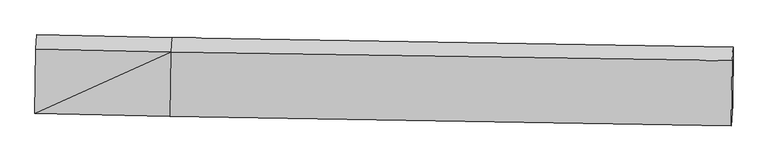
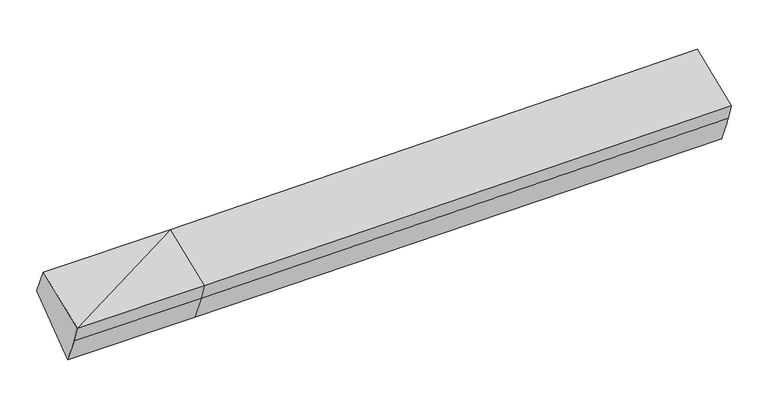
"""IFC4 building model written with IfcOpenShell, lengths in millimetres: proxy geometry."""

from ifc_helpers import new_model, si_unit, frame, origin, place, context, project, spatial, source, transform, mapped, element, save
from ifc_brep_helpers import plane_surface, spline_surface, advanced_brep


def generic_models_83024c73(model_context):
    return source(origin(), model_context, "Body", "AdvancedBrep", [
        advanced_brep(
        [(-2791.3774404, -1884.9233285, 1983.5882698), (-2786.3543301, -1819.4860617, 1799.7333211), (-1434.2522466, -1848.0720393, 1826.4999092), (-1439.2753569, -1913.5093061, 2010.3548579), (-2782.5355123, -1239.281546, 2226.4698853), (-1430.4334288, -1267.8675236, 2253.2364734), (-2773.4921597, -1094.5552921, 1924.2126679), (-1421.3900762, -1123.1412697, 1950.979256), (-2777.4072217, -1679.8587934, 1496.8922609), (-1425.3051382, -1708.444771, 1523.658849), (4203.9137691, -1218.5160109, 2070.7228884), (4194.5480811, -1355.9058387, 2397.0978343), (4185.5779656, -2010.9079278, 2150.6949993), (4190.6280579, -1945.1191598, 1965.8524603), (4199.9987071, -1803.8195122, 1643.4024814)],
        [
            (0, 1),
            (1, 2),
            (2, 3),
            (3, 0),
            (4, 0),
            (0, 5),
            (5, 4),
            (6, 4),
            (5, 7),
            (7, 6),
            (8, 6),
            (7, 9),
            (9, 8),
            (1, 8),
            (9, 2),
            (10, 11),
            (11, 12),
            (12, 13),
            (13, 14),
            (14, 10),
            (3, 5),
            (5, 11),
            (10, 7),
            (3, 12),
            (2, 13),
            (9, 14),
        ],
        [
            plane_surface(frame((-2788.8658853, -1852.2046951, 1891.6607955), z_axis=(-0.01327000413840786, -0.9419093516286327, -0.33560494678221814), x_axis=(0.025730827690796525, 0.33520168398066924, -0.9417949647151815))),
            plane_surface(frame((-2786.9564764, -1562.1024373, 2105.0290776), z_axis=(-0.025959562202361126, -0.35166660769449987, 0.9357653007901631), x_axis=(-0.01281677158057566, -0.9358867413643545, -0.35206780270945154))),
            plane_surface(frame((-2778.013836, -1166.9184191, 2075.3412766), z_axis=(0.010511127025355067, 0.9017661147358917, 0.4320965060293724), x_axis=(-0.02697563182102948, -0.431707389261618, 0.9016102513529746))),
            plane_surface(frame((-2775.4496907, -1387.2070427, 1710.5524644), z_axis=(0.02844264202574509, 0.589292809128708, -0.807418727317983), x_axis=(0.005402278971147691, 0.8076431023280912, 0.5896468728347283))),
            plane_surface(frame((-2781.8807759, -1749.6724275, 1648.312791), z_axis=(-0.010902309580309336, -0.9079488746490781, -0.4189391133199288), x_axis=(0.026819920754952896, 0.41854777105178875, -0.9077986864929237))),
            plane_surface(frame((4194.9333161, -1666.8536899, 2045.5541328), z_axis=(0.99958082789563, -0.021133016137141622, 0.019787979493478724), x_axis=(-0.02643899937730148, -0.3878465270439957, 0.9213446970444005))),
            plane_surface(frame((-2782.2333329, -1543.6210043, 1886.179281), z_axis=(-0.99958082789563, 0.021133016137141622, -0.019787979493478863), x_axis=(-0.025730827690796525, -0.33520168398066924, 0.9417949647151815))),
            plane_surface(frame((-2791.3774404, -1884.9233285, 1983.5882698), z_axis=(-0.02595956220236121, -0.3516666076944999, 0.9357653007901632), x_axis=(-0.012816771580575268, -0.9358867413643545, -0.35206780270945154))),
            spline_surface(1, 1, [[(-1421.3900762, -1123.1412697, 1950.979256), (4203.9137691, -1218.5160109, 2070.7228884)], [(-1430.4334288, -1267.8675236, 2253.2364734), (4194.5480811, -1355.9058387, 2397.0978343)]], [2, 2], [2, 2], [0.0, 1.0], [0.0, 1.0]),
            plane_surface(frame((-1434.8543929, -1590.6884149, 2131.7956657), z_axis=(-0.02943356245197417, -0.3515910334355798, 0.9356908734240635), x_axis=(-0.012816771580575644, -0.9358867413643536, -0.3520678027094539))),
            plane_surface(frame((-1436.7638017, -1880.7906727, 1918.4273836), z_axis=(-0.007941001756920868, -0.942008628097868, -0.3354946871118372), x_axis=(0.025730827690795623, 0.33520168398066796, -0.9417949647151821))),
            spline_surface(1, 1, [[(-1434.2522466, -1848.0720393, 1826.4999092), (4190.6280579, -1945.1191598, 1965.8524603)], [(-1425.3051382, -1708.444771, 1523.658849), (4199.9987071, -1803.8195122, 1643.4024814)]], [2, 2], [2, 2], [0.0, 1.0], [0.0, 1.0]),
            plane_surface(frame((-1423.3476072, -1415.7930203, 1737.3190525), z_axis=(0.027179388748996766, 0.5893190456184306, -0.8074430898203373), x_axis=(0.005402278971147796, 0.807643102328083, 0.5896468728347397))),
        ],
        [
            (0, [[1, 2, 3, 4]]),
            (1, [[5, 6, 7]]),
            (2, [[8, -7, 9, 10]]),
            (3, [[11, -10, 12, 13]]),
            (4, [[14, -13, 15, -2]]),
            (5, [[16, 17, 18, 19, 20]]),
            (6, [[-1, -5, -8, -11, -14]]),
            (7, [[21, -6, -4]]),
            (8, [[-9, 22, -16, 23]]),
            (9, [[-21, 24, -17, -22]]),
            (10, [[-3, 25, -18, -24]]),
            (11, [[-15, 26, -19, -25]]),
            (12, [[-12, -23, -20, -26]]),
        ],
    ),
    ])


if __name__ == "__main__":
    model = new_model("IFC4")
    model_context = context("Model", 3, world=origin())
    ifc_project = project(units=[si_unit("LENGTHUNIT", "METRE", prefix="MILLI")], contexts=[model_context])
    site = spatial("IfcSite", under=ifc_project)
    building = spatial("IfcBuilding", under=site)
    placement = place(None, origin())
    generic_models_shape = generic_models_83024c73(model_context)
    element("IfcBuildingElementProxy", 1, Name="Generic Models", at=placement, inside=building, context=model_context, shape_type="MappedRepresentation", body=[
        mapped(generic_models_shape, transform((0.0, 0.0, 0.0), x_axis=(1.0, 0.0, 0.0), y_axis=(0.0, 1.0, 0.0), z_axis=(0.0, 0.0, 1.0))),
    ])
    save(model, "model.ifc")
